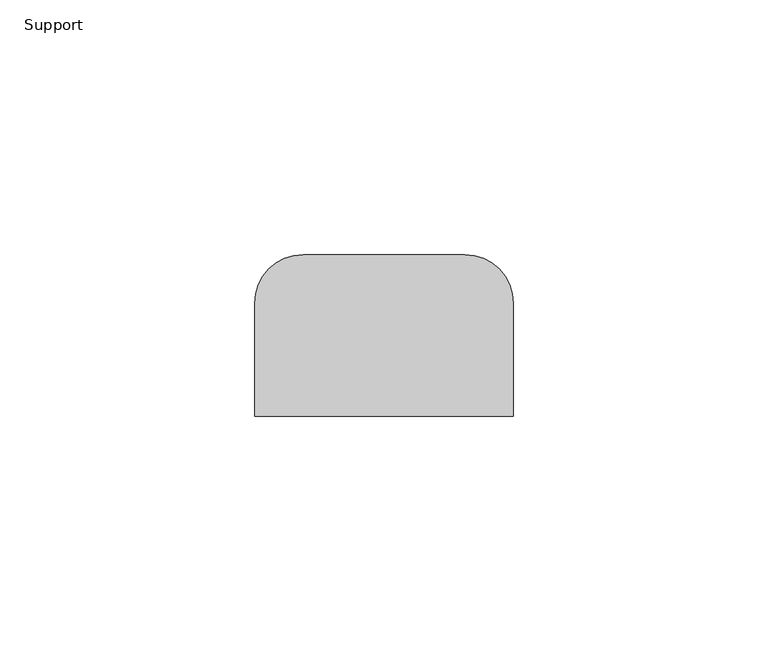
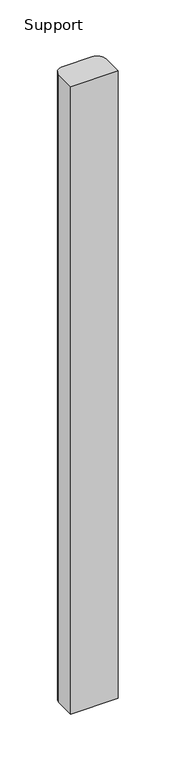
"""IFC4 building model written with IfcOpenShell, lengths in millimetres: furniture geometry, Support."""

from ifc_helpers import new_model, si_unit, point, frame_2d, origin, origin_with_axes, place, context, project, spatial, polyline, circle_curve, trimmed, segment, composite_curve, outline, extrude, source, transform, mapped, element, save


def support_2ee7229f(model_context):
    return source(origin(), model_context, "Body", "SweptSolid", [
        extrude(outline(composite_curve([segment(polyline([(241.3, 261.6659766), (190.5, 261.6659766), (190.5, 283.8909766)]), True, "CONTINUOUS"), segment(trimmed(circle_curve(frame_2d((200.025, 283.8909766)), 9.525), [point((190.5, 283.8909766))], [point((200.025, 293.4159766))], False, "CARTESIAN"), True, "CONTINUOUS"), segment(polyline([(200.025, 293.4159766), (231.775, 293.4159766)]), True, "CONTINUOUS"), segment(trimmed(circle_curve(frame_2d((231.775, 283.8909766)), 9.525), [point((231.775, 293.4159766))], [point((241.3, 283.8909766))], False, "CARTESIAN"), True, "CONTINUOUS"), segment(polyline([(241.3, 283.8909766), (241.3, 261.6659766)]), True, "CONTINUOUS")], self_intersect=False)), origin_with_axes(), (0.0, 0.0, 1.0), 711.2),
    ])


if __name__ == "__main__":
    model = new_model("IFC4")
    model_context = context("Model", 3, world=origin())
    ifc_project = project(units=[si_unit("LENGTHUNIT", "METRE", prefix="MILLI")], contexts=[model_context])
    site = spatial("IfcSite", under=ifc_project)
    building = spatial("IfcBuilding", under=site)
    placement = place(None, origin())
    support_shape = support_2ee7229f(model_context)
    element("IfcFurniture", 1, ObjectType="Support", at=placement, inside=building, context=model_context, shape_type="MappedRepresentation", body=[
        mapped(support_shape, transform((0.0, 0.0, 0.0), x_axis=(1.0, 0.0, 0.0), y_axis=(0.0, 1.0, 0.0), z_axis=(0.0, 0.0, 1.0))),
    ])
    save(model, "model.ifc")
